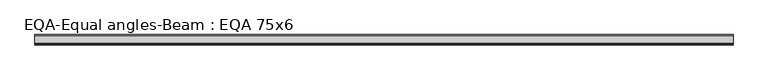
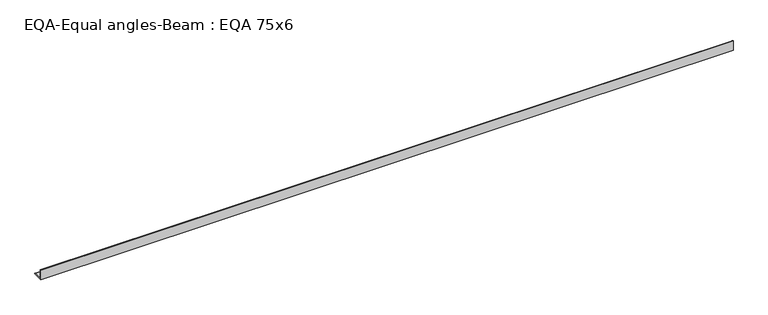
"""IFC4 building model written with IfcOpenShell, lengths in millimetres: beam geometry, EQA-Equal angles-Beam : EQA 75x6."""

from ifc_helpers import new_model, si_unit, point, frame, frame_2d, origin, place, context, project, spatial, polyline, circle_curve, trimmed, segment, composite_curve, outline, extrude, source, transform, mapped, element, save


def eqa_equal_angles_beam_eqa_75x6_2c596cd5(model_context):
    return source(origin(), model_context, "Body", "SweptSolid", [
        extrude(outline(composite_curve([segment(polyline([(-20.5, -20.5), (-20.5, 54.5), (-19.0, 54.5)]), True, "CONTINUOUS"), segment(trimmed(circle_curve(frame_2d((-19.0, 50.0)), 4.5), [point((-19.0, 54.5))], [point((-14.5, 50.0))], False, "CARTESIAN"), True, "CONTINUOUS"), segment(polyline([(-14.5, 50.0), (-14.5, -5.5)]), True, "CONTINUOUS"), segment(trimmed(circle_curve(frame_2d((-5.5, -5.5)), 9.0), [point((-14.5, -5.5))], [point((-5.5, -14.5))], True, "CARTESIAN"), True, "CONTINUOUS"), segment(polyline([(-5.5, -14.5), (50.0, -14.5)]), True, "CONTINUOUS"), segment(trimmed(circle_curve(frame_2d((50.0, -19.0)), 4.5), [point((50.0, -14.5))], [point((54.5, -19.0))], False, "CARTESIAN"), True, "CONTINUOUS"), segment(polyline([(54.5, -19.0), (54.5, -20.5), (-20.5, -20.5)]), True, "CONTINUOUS")], self_intersect=False)), frame((-2522.5674301, 0.0, 0.0), z_axis=(1.0, 0.0, 0.0), x_axis=(0.0, 1.0, 0.0)), (0.0, 0.0, 1.0), 5086.3075239),
    ])


if __name__ == "__main__":
    model = new_model("IFC4")
    model_context = context("Model", 3, world=origin())
    ifc_project = project(units=[si_unit("LENGTHUNIT", "METRE", prefix="MILLI")], contexts=[model_context])
    site = spatial("IfcSite", under=ifc_project)
    building = spatial("IfcBuilding", under=site)
    placement = place(None, origin())
    eqa_equal_angles_beam_eqa_75x6_shape = eqa_equal_angles_beam_eqa_75x6_2c596cd5(model_context)
    element("IfcBeam", 1, ObjectType="EQA-Equal angles-Beam : EQA 75x6", at=placement, inside=building, context=model_context, shape_type="MappedRepresentation", body=[
        mapped(eqa_equal_angles_beam_eqa_75x6_shape, transform((0.0, 0.0, 0.0), x_axis=(1.0, 0.0, 0.0), y_axis=(0.0, 1.0, 0.0), z_axis=(0.0, 0.0, 1.0))),
    ])
    save(model, "model.ifc")
